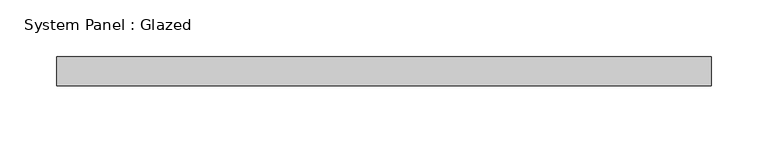
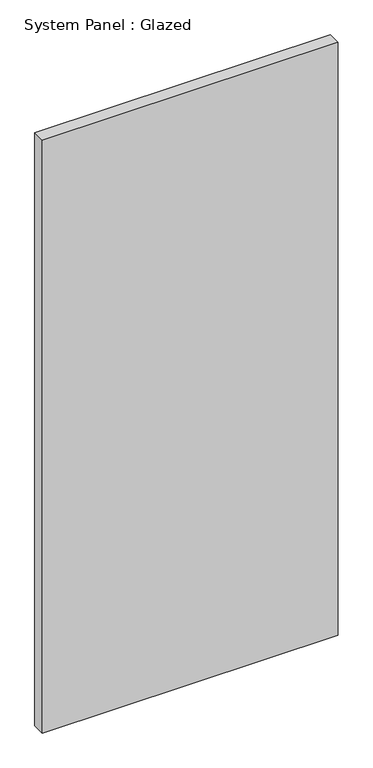
"""IFC4 building model written with IfcOpenShell, lengths in millimetres: plate geometry, System Panel : Glazed."""

from ifc_helpers import new_model, si_unit, origin, origin_with_axes, place, context, project, spatial, polyline, outline, extrude, source, transform, mapped, element, save


def system_panel_glazed_6583b52a(model_context):
    return source(origin(), model_context, "Body", "SweptSolid", [
        extrude(outline(polyline([(287.8558303, 19.05), (-287.8558303, 19.05), (-287.8558303, 44.45), (287.8558303, 44.45), (287.8558303, 19.05)])), origin_with_axes(), (0.0, 0.0, 1.0), 1219.2),
    ])


if __name__ == "__main__":
    model = new_model("IFC4")
    model_context = context("Model", 3, world=origin())
    ifc_project = project(units=[si_unit("LENGTHUNIT", "METRE", prefix="MILLI")], contexts=[model_context])
    site = spatial("IfcSite", under=ifc_project)
    building = spatial("IfcBuilding", under=site)
    placement = place(None, origin())
    system_panel_glazed_shape = system_panel_glazed_6583b52a(model_context)
    element("IfcPlate", 1, ObjectType="System Panel : Glazed", at=placement, inside=building, context=model_context, shape_type="MappedRepresentation", body=[
        mapped(system_panel_glazed_shape, transform((0.0, 0.0, 0.0), x_axis=(1.0, 0.0, 0.0), y_axis=(0.0, 1.0, 0.0), z_axis=(0.0, 0.0, 1.0))),
    ])
    save(model, "model.ifc")
